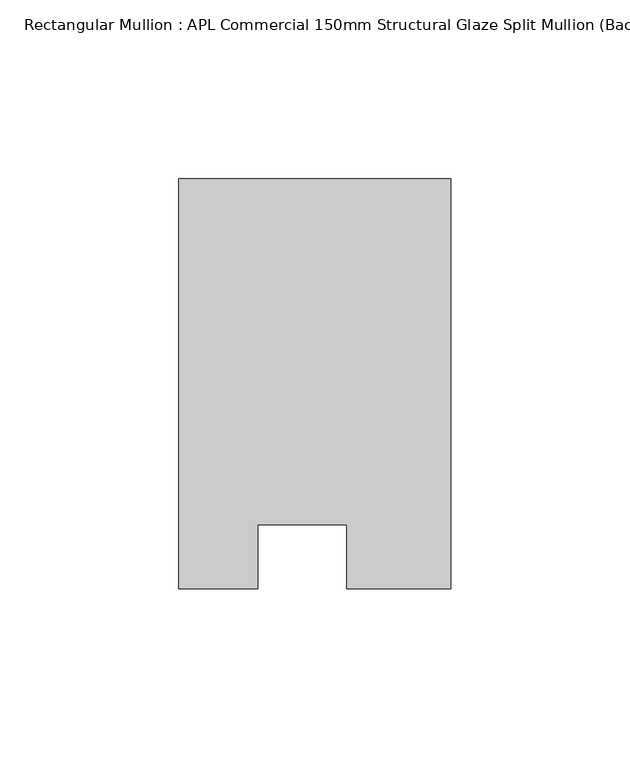
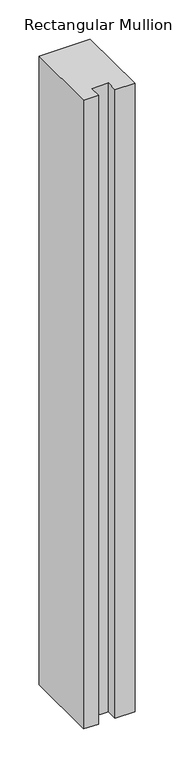
"""IFC4 building model written with IfcOpenShell, lengths in millimetres: member geometry, Rectangular Mullion : APL Commercial 150mm Structural Glaze Split Mullion (Back)."""

import ifcopenshell
import ifcopenshell.guid

model = None  # the IFC model being written
_history = None  # IfcOwnerHistory: only IFC2X3 demands one
_inside = {}  # id of a spatial element -> (the spatial element, [elements in it])
_under = {}  # id of a project, library or spatial element -> (it, [spatial elements below it])
_declared = {}  # id of a project -> (the project, [libraries it declares])
_typed = {}  # id of a type object -> (the type object, [elements of that type])
_made_of = {}  # id of a material, layer set ... -> (it, [elements and type objects made of it])


def new_model(schema):
    """Start an empty IFC model of exactly this schema.

    Asked for "IFC4X3", IfcOpenShell would pick the latest addendum, in which some entities
    have other attributes; the version numbers below select the first issue.
    IFC2X3 requires an IfcOwnerHistory on every rooted entity: one is made here for all.
    """
    global model, _history
    if schema == "IFC4X3":
        model = ifcopenshell.file(schema_version=(4, 3, 0, 0))
    else:
        model = ifcopenshell.file(schema=schema)
    _inside.clear()
    _under.clear()
    _declared.clear()
    _typed.clear()
    _made_of.clear()
    _history = None
    if model.schema == "IFC2X3":
        org = make("IfcOrganization", Name="unknown")
        user = make(
            "IfcPersonAndOrganization",
            ThePerson=make("IfcPerson", FamilyName="unknown"),
            TheOrganization=org,
        )
        app = make(
            "IfcApplication",
            ApplicationDeveloper=org,
            Version="unknown",
            ApplicationFullName="unknown",
            ApplicationIdentifier="unknown",
        )
        _history = make(
            "IfcOwnerHistory",
            OwningUser=user,
            OwningApplication=app,
            ChangeAction="ADDED",
            CreationDate=0,
        )
    return model


def make(cls, **values):
    """One entity of the class cls with the attributes given. An attribute that is None is left unset."""
    return model.create_entity(
        cls, **{name: value for name, value in values.items() if value is not None}
    )


def rooted(cls, **values):
    """An entity with a GlobalId (a new one), such as an element, a storey or a relation."""
    return make(cls, GlobalId=ifcopenshell.guid.new(), OwnerHistory=_history, **values)


def si_unit(unit_type, name, prefix=None):
    """IfcSIUnit, for example si_unit("LENGTHUNIT", "METRE", prefix="MILLI")."""
    return make("IfcSIUnit", UnitType=unit_type, Prefix=prefix, Name=name)


def assignment(units):
    """IfcUnitAssignment: the units of a project."""
    return None if units is None else make("IfcUnitAssignment", Units=units)


def point(xyz):
    """IfcCartesianPoint."""
    return None if xyz is None else make("IfcCartesianPoint", Coordinates=xyz)


def direction(xyz):
    """IfcDirection."""
    return None if xyz is None else make("IfcDirection", DirectionRatios=xyz)


def frame(location, z_axis=None, x_axis=None):
    """IfcAxis2Placement3D, a coordinate frame: its origin and axes. An axis left out is left unset."""
    return make(
        "IfcAxis2Placement3D",
        Location=point(location),
        Axis=direction(z_axis),
        RefDirection=direction(x_axis),
    )


def origin():
    """The frame at (0, 0, 0) with its axes left unset."""
    return frame((0.0, 0.0, 0.0))


def place(relative_to, where):
    """IfcLocalPlacement: puts the frame where relative to a parent placement (None: the world)."""
    return make(
        "IfcLocalPlacement", PlacementRelTo=relative_to, RelativePlacement=where
    )


def context(
    kind, dimensions, precision=None, world=None, true_north=None, identifier=None
):
    """IfcGeometricRepresentationContext, for example the 3D "Model" context."""
    return make(
        "IfcGeometricRepresentationContext",
        ContextIdentifier=identifier,
        ContextType=kind,
        CoordinateSpaceDimension=dimensions,
        Precision=precision,
        WorldCoordinateSystem=world,
        TrueNorth=true_north,
    )


def project(units=None, contexts=None):
    """IfcProject with its units and contexts."""
    return rooted(
        "IfcProject",
        Name="project",
        RepresentationContexts=contexts,
        UnitsInContext=assignment(units),
    )


def spatial(cls, under=None, at=None, **own):
    """A site, building, storey or space (cls), placed at a placement, below another one or the project."""
    s = rooted(cls, ObjectPlacement=at, **own)
    if under is not None:
        _under.setdefault(under.id(), (under, []))[1].append(s)
    return s


def polyline(points):
    """IfcPolyline through the points."""
    return make("IfcPolyline", Points=[point(p) for p in points])


def outline(outer, holes=None, kind="AREA"):
    """IfcArbitraryClosedProfileDef: a profile drawn as a closed curve; with holes, ...WithVoids."""
    if holes is None:
        return make("IfcArbitraryClosedProfileDef", ProfileType=kind, OuterCurve=outer)
    return make(
        "IfcArbitraryProfileDefWithVoids",
        ProfileType=kind,
        OuterCurve=outer,
        InnerCurves=holes,
    )


def extrude(swept, where, along, depth):
    """IfcExtrudedAreaSolid: the profile swept, set in the frame where, extruded along a direction by depth."""
    return make(
        "IfcExtrudedAreaSolid",
        SweptArea=swept,
        Position=where,
        ExtrudedDirection=direction(along),
        Depth=depth,
    )


def shape(context_of_items, identifier, shape_type, items):
    """IfcShapeRepresentation: the items that make up one representation, for example the "Body"."""
    return make(
        "IfcShapeRepresentation",
        ContextOfItems=context_of_items,
        RepresentationIdentifier=identifier,
        RepresentationType=shape_type,
        Items=items,
    )


def source(mapping_origin, context_of_items, identifier, shape_type, items):
    """IfcRepresentationMap: a shape defined once, which mapped items show again and again."""
    return make(
        "IfcRepresentationMap",
        MappingOrigin=mapping_origin,
        MappedRepresentation=shape(context_of_items, identifier, shape_type, items),
    )


def transform(
    local_origin,
    x_axis=None,
    y_axis=None,
    z_axis=None,
    scale=None,
    scale2=None,
    scale3=None,
    uniform=True,
):
    """IfcCartesianTransformationOperator3D, or its non-uniform kind. x_axis, y_axis, z_axis: its Axis1, 2, 3."""
    if uniform:
        return make(
            "IfcCartesianTransformationOperator3D",
            Axis1=direction(x_axis),
            Axis2=direction(y_axis),
            LocalOrigin=point(local_origin),
            Scale=scale,
            Axis3=direction(z_axis),
        )
    return make(
        "IfcCartesianTransformationOperator3DnonUniform",
        Axis1=direction(x_axis),
        Axis2=direction(y_axis),
        LocalOrigin=point(local_origin),
        Scale=scale,
        Axis3=direction(z_axis),
        Scale2=scale2,
        Scale3=scale3,
    )


def mapped(mapping_source, mapping_target):
    """IfcMappedItem: shows the shape of a source again, moved by a transform."""
    return make(
        "IfcMappedItem", MappingSource=mapping_source, MappingTarget=mapping_target
    )


def made_of(thing, what):
    """Note that an element or type object is made of a material, layer set ...; save() writes the relation."""
    if what is not None:
        _made_of.setdefault(what.id(), (what, []))[1].append(thing)
    return thing


def element(
    cls,
    number,
    at=None,
    inside=None,
    cuts=None,
    type_object=None,
    material=None,
    context=None,
    identifier="Body",
    shape_type=None,
    held_by="IfcProductDefinitionShape",
    body=None,
    shapes=None,
    **own,
):
    """One element of the class cls, such as IfcWall. Its Tag is "e" and its number.

    at: its placement. inside: the storey or other place that contains it. cuts: it is an
    opening in that element (IfcRelVoidsElement). A single representation is given by context,
    identifier, shape_type and body (its items); several are given by shapes. held_by: the class
    of the entity that holds the representations. save() writes the other relations.
    """
    e = rooted(cls, Tag="e%d" % number, ObjectPlacement=at, **own)
    if body is not None:
        shapes = [shape(context, identifier, shape_type, body)]
    if shapes is not None:
        e.Representation = make(held_by, Representations=shapes)
    if inside is not None:
        _inside.setdefault(inside.id(), (inside, []))[1].append(e)
    if cuts is not None:
        rooted(
            "IfcRelVoidsElement", RelatingBuildingElement=cuts, RelatedOpeningElement=e
        )
    if type_object is not None:
        _typed.setdefault(type_object.id(), (type_object, []))[1].append(e)
    return made_of(e, material)


def aggregate(whole, parts):
    """IfcRelAggregates: a whole, such as a stair, and the parts it consists of."""
    return rooted("IfcRelAggregates", RelatingObject=whole, RelatedObjects=parts)


def save(model, path):
    """Write the relations noted so far, then the file.

    IfcRelAggregates (storeys below a building ...), IfcRelContainedInSpatialStructure (elements
    in a storey), IfcRelDefinesByType, IfcRelAssociatesMaterial and IfcRelDeclares: one each for
    every whole, place, type object, material and project.
    """
    for whole, parts in _under.values():
        aggregate(whole, parts)
    for where, things in _inside.values():
        rooted(
            "IfcRelContainedInSpatialStructure",
            RelatedElements=things,
            RelatingStructure=where,
        )
    for kind, things in _typed.values():
        rooted("IfcRelDefinesByType", RelatedObjects=things, RelatingType=kind)
    for what, things in _made_of.values():
        rooted("IfcRelAssociatesMaterial", RelatedObjects=things, RelatingMaterial=what)
    for by, libraries in _declared.values():
        rooted("IfcRelDeclares", RelatingContext=by, RelatedDefinitions=libraries)
    model.write(path)


def rectangular_mullion_apl_commercial_150mm_structural_glaze_f21e9141(model_context):
    return source(origin(), model_context, "Body", "SweptSolid", [
        extrude(outline(polyline([(37.9999914, 129.5195626), (37.9999914, 14.9960123), (9.0, 14.9960123), (9.0, 32.7960123), (-16.0, 32.7960123), (-16.0, 14.9960123), (-37.9999896, 14.9960123), (-37.9999896, 129.5195626), (37.9999914, 129.5195626)])), frame((0.0, 0.0, -983.346945), z_axis=(0.0, 0.0, 1.0), x_axis=(1.0, 0.0, 0.0)), (0.0, 0.0, 1.0), 983.346945),
    ])


if __name__ == "__main__":
    model = new_model("IFC4")
    model_context = context("Model", 3, world=origin())
    ifc_project = project(units=[si_unit("LENGTHUNIT", "METRE", prefix="MILLI")], contexts=[model_context])
    site = spatial("IfcSite", under=ifc_project)
    building = spatial("IfcBuilding", under=site)
    placement = place(None, origin())
    rectangular_mullion_apl_commercial_150mm_structural_glaze_shape = rectangular_mullion_apl_commercial_150mm_structural_glaze_f21e9141(model_context)
    element("IfcMember", 1, ObjectType="Rectangular Mullion : APL Commercial 150mm Structural Glaze Split Mullion (Back)", at=placement, inside=building, context=model_context, shape_type="MappedRepresentation", body=[
        mapped(rectangular_mullion_apl_commercial_150mm_structural_glaze_shape, transform((0.0, 0.0, 0.0), x_axis=(1.0, 0.0, 0.0), y_axis=(0.0, 1.0, 0.0), z_axis=(0.0, 0.0, 1.0))),
    ])
    save(model, "model.ifc")
